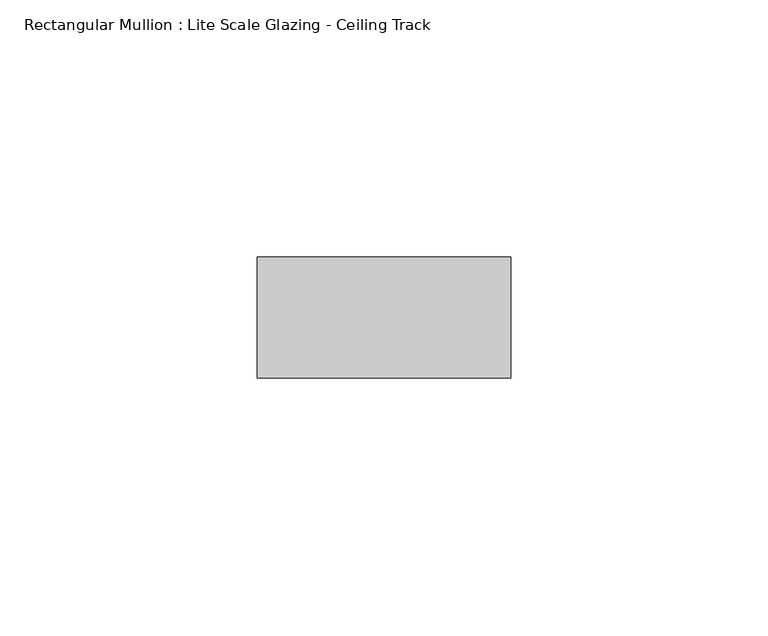
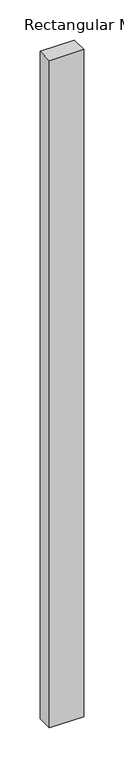
"""IFC4 building model written with IfcOpenShell, lengths in millimetres: member geometry, Rectangular Mullion : Lite Scale Glazing - Ceiling Track."""

from ifc_helpers import new_model, si_unit, frame, origin, place, context, project, spatial, polyline, outline, extrude, source, transform, mapped, element, save


def rectangular_mullion_lite_scale_glazing_ceiling_track_80bbdb86(model_context):
    return source(origin(), model_context, "Body", "SweptSolid", [
        extrude(outline(polyline([(-49.276, -11.7474999), (-49.276, 11.7474999), (0.0, 11.7474999), (0.0, -11.7474999), (-49.276, -11.7474999)])), frame((0.0, 0.0, -1016.0), z_axis=(0.0, 0.0, 1.0), x_axis=(1.0, 0.0, 0.0)), (0.0, 0.0, 1.0), 1016.0),
    ])


if __name__ == "__main__":
    model = new_model("IFC4")
    model_context = context("Model", 3, world=origin())
    ifc_project = project(units=[si_unit("LENGTHUNIT", "METRE", prefix="MILLI")], contexts=[model_context])
    site = spatial("IfcSite", under=ifc_project)
    building = spatial("IfcBuilding", under=site)
    placement = place(None, origin())
    rectangular_mullion_lite_scale_glazing_ceiling_track_shape = rectangular_mullion_lite_scale_glazing_ceiling_track_80bbdb86(model_context)
    element("IfcMember", 1, ObjectType="Rectangular Mullion : Lite Scale Glazing - Ceiling Track", at=placement, inside=building, context=model_context, shape_type="MappedRepresentation", body=[
        mapped(rectangular_mullion_lite_scale_glazing_ceiling_track_shape, transform((0.0, 0.0, 0.0), x_axis=(1.0, 0.0, 0.0), y_axis=(0.0, 1.0, 0.0), z_axis=(0.0, 0.0, 1.0))),
    ])
    save(model, "model.ifc")
